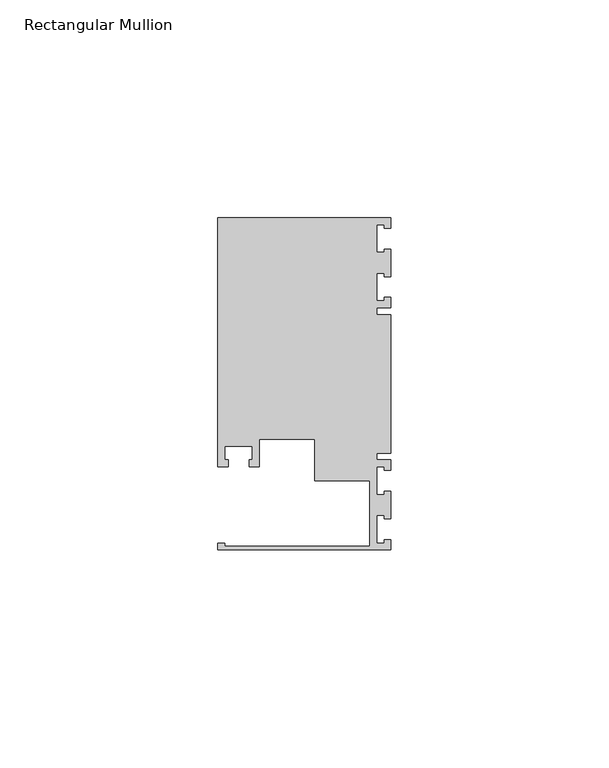
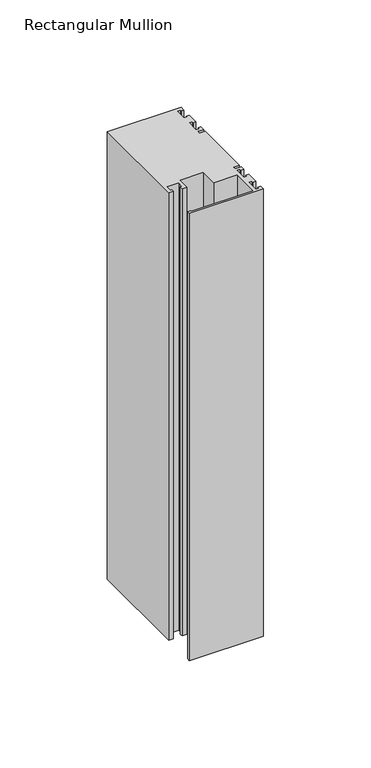
"""IFC4 building model written with IfcOpenShell, lengths in millimetres: member geometry, Rectangular Mullion."""

from ifc_helpers import new_model, si_unit, frame, origin, place, context, project, spatial, polyline, outline, extrude, source, transform, mapped, element, save


def rectangular_mullion_d63808b8(model_context):
    return source(origin(), model_context, "Body", "SweptSolid", [
        extrude(outline(polyline([(0.0, -38.1), (-39.6875, -38.1), (-39.6875, -36.5125), (-38.1, -36.5125), (-38.1, -37.30625), (-4.8585733, -37.30625), (-4.8585733, -22.225), (-17.4625, -22.225), (-17.4625, -12.6999969), (-30.1625, -12.6999969), (-30.1625, -19.05), (-32.54375, -19.05), (-32.54375, -17.4625), (-31.75, -17.4625), (-31.75, -14.2875), (-38.1, -14.2875), (-38.1, -17.4625), (-37.30625, -17.4625), (-37.30625, -19.05), (-39.6875, -19.05), (-39.6875, 38.1), (0.0, 38.1), (0.0, 35.71875), (-1.4999946, 35.71875), (-1.4999946, 36.5125), (-3.175, 36.5125), (-3.175, 30.1625), (-1.4999946, 30.1625), (-1.4999946, 30.95625), (0.0, 30.95625), (0.0, 24.60625), (-1.4999946, 24.60625), (-1.4999946, 25.4), (-3.175, 25.4), (-3.175, 19.05), (-1.4999946, 19.05), (-1.4999946, 19.84375), (0.0, 19.84375), (0.0, 17.4625), (-3.175, 17.4625), (-3.175, 15.875), (0.0, 15.875), (0.0, -15.875), (-3.175, -15.875), (-3.175, -17.4625), (0.0, -17.4625), (0.0, -19.84375), (-1.4999946, -19.84375), (-1.4999946, -19.05), (-3.175, -19.05), (-3.175, -25.4), (-1.4999946, -25.4), (-1.4999946, -24.60625), (0.0, -24.60625), (0.0, -30.95625), (-1.4999946, -30.95625), (-1.4999946, -30.1625), (-3.175, -30.1625), (-3.175, -36.5125), (-1.4999946, -36.5125), (-1.4999946, -35.71875), (0.0, -35.71875), (0.0, -38.1)])), frame((0.0, 0.0, -254.0), z_axis=(0.0, 0.0, 1.0), x_axis=(1.0, 0.0, 0.0)), (0.0, 0.0, 1.0), 254.0),
    ])


if __name__ == "__main__":
    model = new_model("IFC4")
    model_context = context("Model", 3, world=origin())
    ifc_project = project(units=[si_unit("LENGTHUNIT", "METRE", prefix="MILLI")], contexts=[model_context])
    site = spatial("IfcSite", under=ifc_project)
    building = spatial("IfcBuilding", under=site)
    placement = place(None, origin())
    rectangular_mullion_shape = rectangular_mullion_d63808b8(model_context)
    element("IfcMember", 1, ObjectType="Rectangular Mullion", at=placement, inside=building, context=model_context, shape_type="MappedRepresentation", body=[
        mapped(rectangular_mullion_shape, transform((0.0, 0.0, 0.0), x_axis=(1.0, 0.0, 0.0), y_axis=(0.0, 1.0, 0.0), z_axis=(0.0, 0.0, 1.0))),
    ])
    save(model, "model.ifc")
